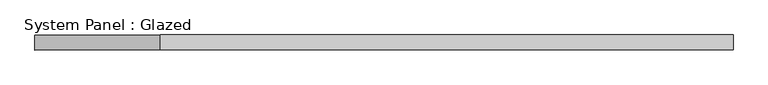
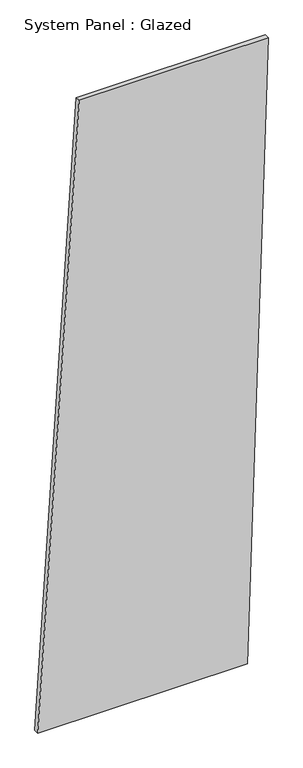
"""IFC4 building model written with IfcOpenShell, lengths in millimetres: plate geometry, System Panel : Glazed."""

from ifc_helpers import new_model, si_unit, frame, origin, place, context, project, spatial, polyline, outline, extrude, source, transform, mapped, element, save


def system_panel_glazed_055d2598(model_context):
    return source(origin(), model_context, "Body", "SweptSolid", [
        extrude(outline(polyline([(0.0, -588.7087834), (0.0, 482.8870079), (3337.5895065, 588.7087834), (3337.5895065, -377.0652324), (0.0, -588.7087834)])), frame((0.0, -49.5, 0.0), z_axis=(0.0, 1.0, 0.0), x_axis=(0.0, 0.0, 1.0)), (0.0, 0.0, 1.0), 25.0),
    ])


if __name__ == "__main__":
    model = new_model("IFC4")
    model_context = context("Model", 3, world=origin())
    ifc_project = project(units=[si_unit("LENGTHUNIT", "METRE", prefix="MILLI")], contexts=[model_context])
    site = spatial("IfcSite", under=ifc_project)
    building = spatial("IfcBuilding", under=site)
    placement = place(None, origin())
    system_panel_glazed_shape = system_panel_glazed_055d2598(model_context)
    element("IfcPlate", 1, ObjectType="System Panel : Glazed", at=placement, inside=building, context=model_context, shape_type="MappedRepresentation", body=[
        mapped(system_panel_glazed_shape, transform((0.0, 0.0, 0.0), x_axis=(1.0, 0.0, 0.0), y_axis=(0.0, 1.0, 0.0), z_axis=(0.0, 0.0, 1.0))),
    ])
    save(model, "model.ifc")
